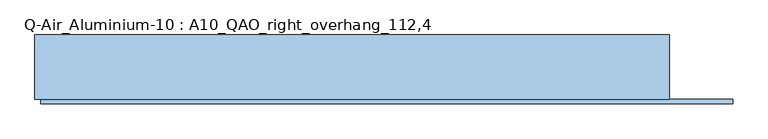
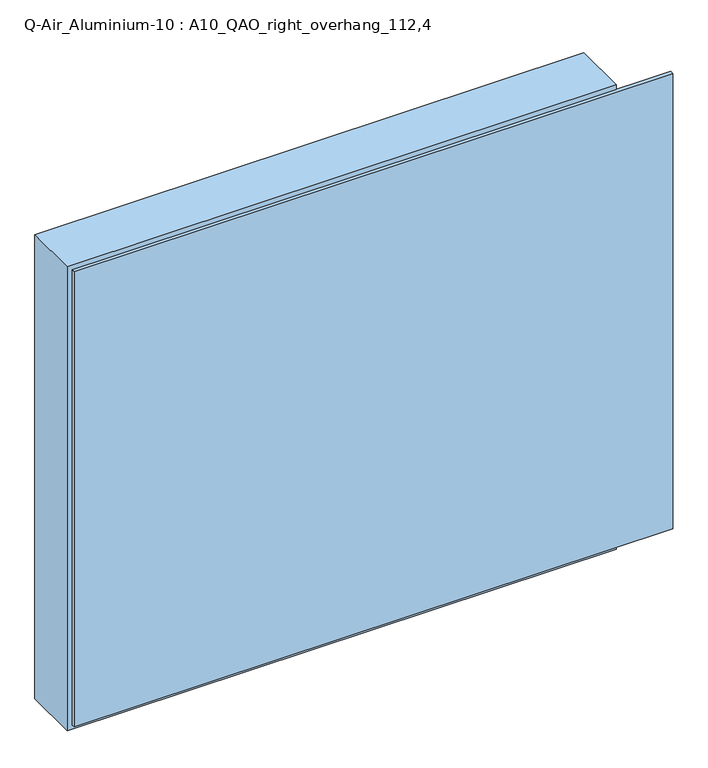
"""IFC4 building model written with IfcOpenShell, lengths in millimetres: window geometry, Q-Air_Aluminium-10 : A10_QAO_right_overhang_112,4."""

from ifc_helpers import new_model, si_unit, frame, origin, place, context, project, spatial, polyline, outline, extrude, source, transform, mapped, element, save


def q_air_aluminium_10_a10_qao_right_overhang_112_4_d1880a46(model_context):
    return source(origin(), model_context, "Body", "SweptSolid", [
        extrude(outline(polyline([(1010.0, 565.0), (1010.0, -565.0), (0.0, -565.0), (0.0, 565.0), (1010.0, 565.0)]), holes=[polyline([(952.0, 507.0), (58.0, 507.0), (58.0, -507.0), (952.0, -507.0), (952.0, 507.0)])]), frame((0.0, -114.5, 0.0), z_axis=(0.0, 1.0, 0.0), x_axis=(0.0, 0.0, 1.0)), (0.0, 0.0, 1.0), 114.5),
        extrude(outline(polyline([(507.0, 0.0), (507.0, -12.5), (-507.0, -12.5), (-507.0, 0.0), (507.0, 0.0)])), frame((0.0, 0.0, 58.0), z_axis=(0.0, 0.0, 1.0), x_axis=(1.0, 0.0, 0.0)), (0.0, 0.0, 1.0), 894.0),
        extrude(outline(polyline([(677.4, -114.5), (677.4, -122.5), (-555.0, -122.5), (-555.0, -114.5), (677.4, -114.5)])), frame((0.0, 0.0, 10.0), z_axis=(0.0, 0.0, 1.0), x_axis=(1.0, 0.0, 0.0)), (0.0, 0.0, 1.0), 990.0),
        extrude(outline(polyline([(1000.0, 677.4), (1000.0, -555.0), (10.0, -555.0), (10.0, 677.4), (1000.0, 677.4)]), holes=[polyline([(952.0, 507.0), (58.0, 507.0), (58.0, -507.0), (952.0, -507.0), (952.0, 507.0)])]), frame((0.0, -118.5, 0.0), z_axis=(0.0, 1.0, 0.0), x_axis=(0.0, 0.0, 1.0)), (0.0, 0.0, 1.0), 4.0),
    ])


if __name__ == "__main__":
    model = new_model("IFC4")
    model_context = context("Model", 3, world=origin())
    ifc_project = project(units=[si_unit("LENGTHUNIT", "METRE", prefix="MILLI")], contexts=[model_context])
    site = spatial("IfcSite", under=ifc_project)
    building = spatial("IfcBuilding", under=site)
    placement = place(None, origin())
    q_air_aluminium_10_a10_qao_right_overhang_112_4_shape = q_air_aluminium_10_a10_qao_right_overhang_112_4_d1880a46(model_context)
    element("IfcWindow", 1, ObjectType="Q-Air_Aluminium-10 : A10_QAO_right_overhang_112,4", at=placement, inside=building, context=model_context, shape_type="MappedRepresentation", body=[
        mapped(q_air_aluminium_10_a10_qao_right_overhang_112_4_shape, transform((0.0, 0.0, 0.0), x_axis=(1.0, 0.0, 0.0), y_axis=(0.0, 1.0, 0.0), z_axis=(0.0, 0.0, 1.0))),
    ])
    save(model, "model.ifc")
